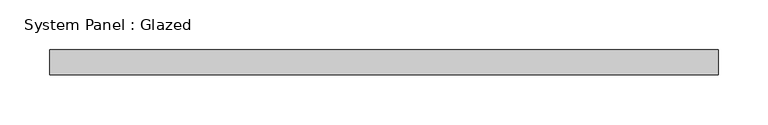
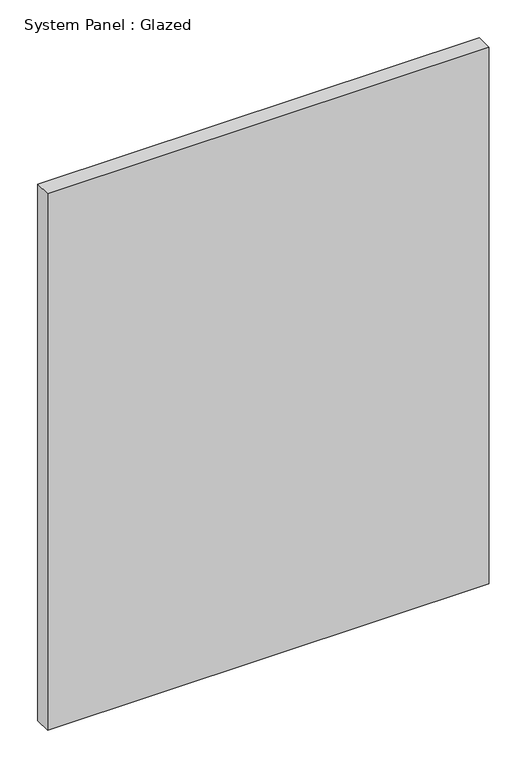
"""IFC4 building model written with IfcOpenShell, lengths in millimetres: plate geometry, System Panel : Glazed."""

from ifc_helpers import new_model, si_unit, origin, origin_with_axes, place, context, project, spatial, polyline, outline, extrude, source, transform, mapped, element, save


def system_panel_glazed_2ede9b24(model_context):
    return source(origin(), model_context, "Body", "SweptSolid", [
        extrude(outline(polyline([(336.55, -44.45), (-336.55, -44.45), (-336.55, -19.05), (336.55, -19.05), (336.55, -44.45)])), origin_with_axes(), (0.0, 0.0, 1.0), 863.6),
    ])


if __name__ == "__main__":
    model = new_model("IFC4")
    model_context = context("Model", 3, world=origin())
    ifc_project = project(units=[si_unit("LENGTHUNIT", "METRE", prefix="MILLI")], contexts=[model_context])
    site = spatial("IfcSite", under=ifc_project)
    building = spatial("IfcBuilding", under=site)
    placement = place(None, origin())
    system_panel_glazed_shape = system_panel_glazed_2ede9b24(model_context)
    element("IfcPlate", 1, ObjectType="System Panel : Glazed", at=placement, inside=building, context=model_context, shape_type="MappedRepresentation", body=[
        mapped(system_panel_glazed_shape, transform((0.0, 0.0, 0.0), x_axis=(1.0, 0.0, 0.0), y_axis=(0.0, 1.0, 0.0), z_axis=(0.0, 0.0, 1.0))),
    ])
    save(model, "model.ifc")
